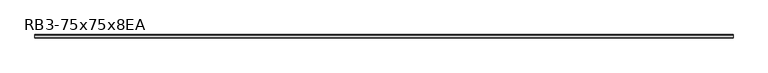
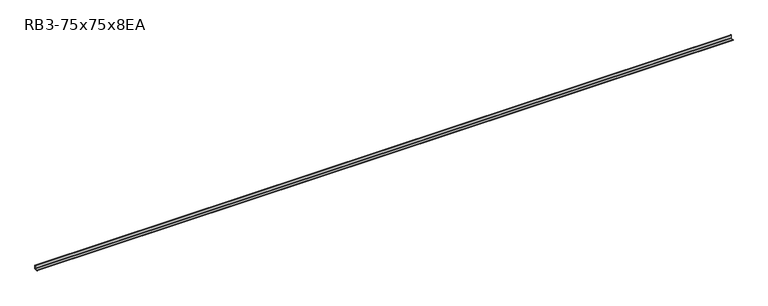
"""IFC4 building model written with IfcOpenShell, lengths in millimetres: member geometry, RB3-75x75x8EA."""

from ifc_helpers import new_model, si_unit, point, frame, frame_2d, origin, place, context, project, spatial, polyline, circle_curve, trimmed, segment, composite_curve, outline, extrude, source, transform, mapped, element, save


def rb3_75x75x8ea_a106375d(model_context):
    return source(origin(), model_context, "Body", "SweptSolid", [
        extrude(outline(composite_curve([segment(polyline([(21.3, -21.3), (-53.7, -21.3), (-53.7, -18.3)]), True, "CONTINUOUS"), segment(trimmed(circle_curve(frame_2d((-48.7, -18.3)), 5.0), [point((-53.7, -18.3))], [point((-48.7, -13.3))], False, "CARTESIAN"), True, "CONTINUOUS"), segment(polyline([(-48.7, -13.3), (5.3, -13.3)]), True, "CONTINUOUS"), segment(trimmed(circle_curve(frame_2d((5.3, -5.3)), 8.0), [point((5.3, -13.3))], [point((13.3, -5.3))], True, "CARTESIAN"), True, "CONTINUOUS"), segment(polyline([(13.3, -5.3), (13.3, 48.7)]), True, "CONTINUOUS"), segment(trimmed(circle_curve(frame_2d((18.3, 48.7)), 5.0), [point((13.3, 48.7))], [point((18.3, 53.7))], False, "CARTESIAN"), True, "CONTINUOUS"), segment(polyline([(18.3, 53.7), (21.3, 53.7), (21.3, -21.3)]), True, "CONTINUOUS")], self_intersect=False)), frame((-7358.634815, 0.0, 0.0), z_axis=(1.0, 0.0, 0.0), x_axis=(0.0, 1.0, 0.0)), (0.0, 0.0, 1.0), 14642.5160886),
    ])


if __name__ == "__main__":
    model = new_model("IFC4")
    model_context = context("Model", 3, world=origin())
    ifc_project = project(units=[si_unit("LENGTHUNIT", "METRE", prefix="MILLI")], contexts=[model_context])
    site = spatial("IfcSite", under=ifc_project)
    building = spatial("IfcBuilding", under=site)
    placement = place(None, origin())
    rb3_75x75x8ea_shape = rb3_75x75x8ea_a106375d(model_context)
    element("IfcMember", 1, ObjectType="RB3-75x75x8EA", at=placement, inside=building, context=model_context, shape_type="MappedRepresentation", body=[
        mapped(rb3_75x75x8ea_shape, transform((0.0, 0.0, 0.0), x_axis=(1.0, 0.0, 0.0), y_axis=(0.0, 1.0, 0.0), z_axis=(0.0, 0.0, 1.0))),
    ])
    save(model, "model.ifc")
